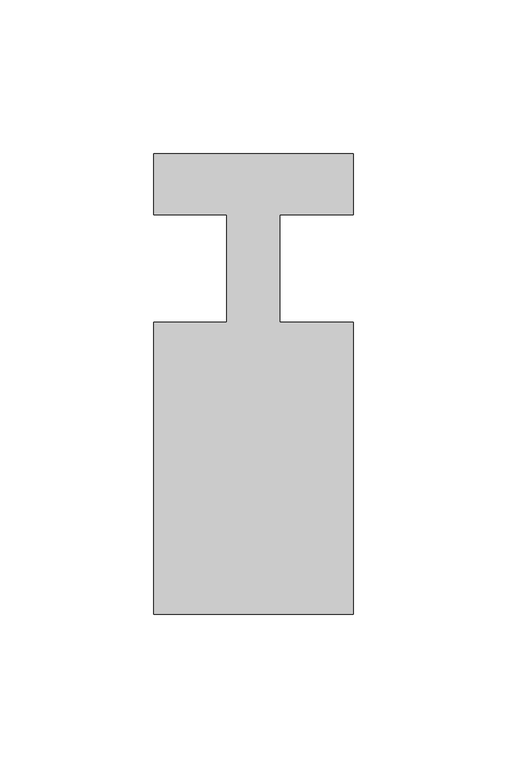
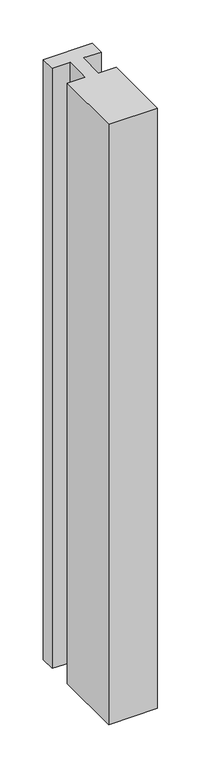
"""IFC4 building model written with IfcOpenShell, lengths in millimetres: member geometry."""

from ifc_helpers import new_model, si_unit, frame, origin, place, context, project, spatial, polyline, outline, extrude, source, transform, mapped, element, save


def member_43b7ea36(model_context):
    return source(origin(), model_context, "Body", "SweptSolid", [
        extrude(outline(polyline([(0.0, 37.0), (0.0, 17.0), (-23.8125, 17.0), (-23.8125, -18.0), (0.0, -18.0), (0.0, -113.0), (-65.0, -113.0), (-65.0, -18.0), (-41.1875, -18.0), (-41.1875, 17.0), (-65.0, 17.0), (-65.0, 37.0), (0.0, 37.0)])), frame((0.0, 0.0, -843.4348165), z_axis=(0.0, 0.0, 1.0), x_axis=(1.0, 0.0, 0.0)), (0.0, 0.0, 1.0), 843.4348165),
    ])


if __name__ == "__main__":
    model = new_model("IFC4")
    model_context = context("Model", 3, world=origin())
    ifc_project = project(units=[si_unit("LENGTHUNIT", "METRE", prefix="MILLI")], contexts=[model_context])
    site = spatial("IfcSite", under=ifc_project)
    building = spatial("IfcBuilding", under=site)
    placement = place(None, origin())
    member_shape = member_43b7ea36(model_context)
    element("IfcMember", 1, at=placement, inside=building, context=model_context, shape_type="MappedRepresentation", body=[
        mapped(member_shape, transform((0.0, 0.0, 0.0), x_axis=(1.0, 0.0, 0.0), y_axis=(0.0, 1.0, 0.0), z_axis=(0.0, 0.0, 1.0))),
    ])
    save(model, "model.ifc")
